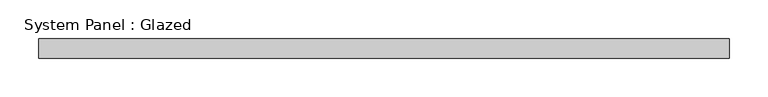
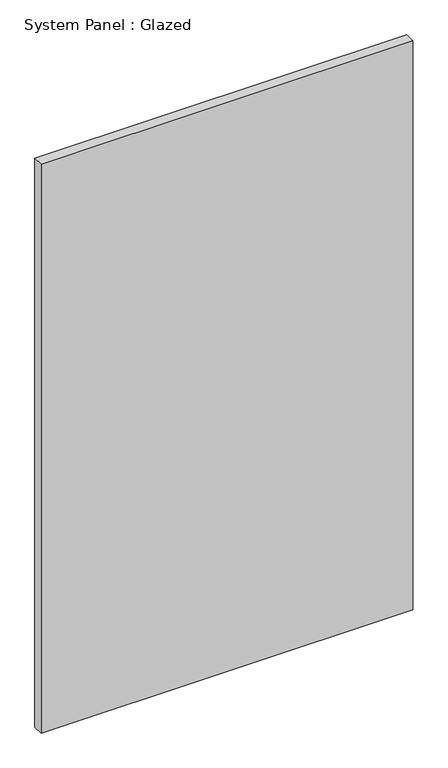
"""IFC4 building model written with IfcOpenShell, lengths in millimetres: plate geometry, System Panel : Glazed."""

from ifc_helpers import new_model, si_unit, origin, origin_with_axes, place, context, project, spatial, polyline, outline, extrude, source, transform, mapped, element, save


def system_panel_glazed_50484129(model_context):
    return source(origin(), model_context, "Body", "SweptSolid", [
        extrude(outline(polyline([(447.6609975, 19.05), (-447.6609975, 19.05), (-447.6609975, 44.45), (447.6609975, 44.45), (447.6609975, 19.05)])), origin_with_axes(), (0.0, 0.0, 1.0), 1447.8),
    ])


if __name__ == "__main__":
    model = new_model("IFC4")
    model_context = context("Model", 3, world=origin())
    ifc_project = project(units=[si_unit("LENGTHUNIT", "METRE", prefix="MILLI")], contexts=[model_context])
    site = spatial("IfcSite", under=ifc_project)
    building = spatial("IfcBuilding", under=site)
    placement = place(None, origin())
    system_panel_glazed_shape = system_panel_glazed_50484129(model_context)
    element("IfcPlate", 1, ObjectType="System Panel : Glazed", at=placement, inside=building, context=model_context, shape_type="MappedRepresentation", body=[
        mapped(system_panel_glazed_shape, transform((0.0, 0.0, 0.0), x_axis=(1.0, 0.0, 0.0), y_axis=(0.0, 1.0, 0.0), z_axis=(0.0, 0.0, 1.0))),
    ])
    save(model, "model.ifc")
